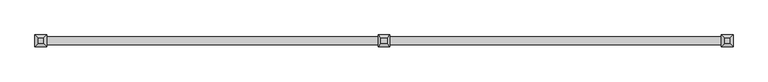
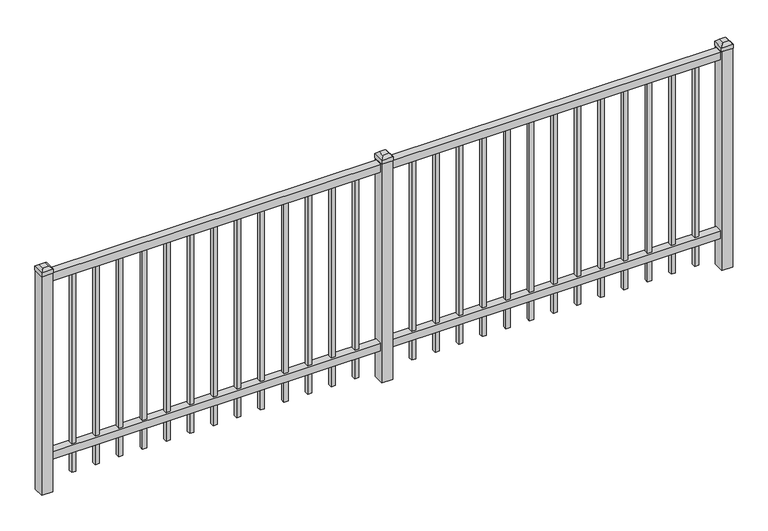
"""IFC4 building model written with IfcOpenShell, lengths in millimetres: railing geometry."""

from ifc_helpers import new_model, si_unit, frame, origin, origin_with_axes, place, context, project, spatial, polyline, outline, extrude, faceted_brep, source, transform, mapped, element, save


def railing_805f4b10(model_context):
    return source(origin(), model_context, "Body", "SolidModel", [
        extrude(outline(polyline([(-85729.318087, 3004.8804826), (-85729.318087, 3039.8054826), (-82579.718087, 3039.8054826), (-82579.718087, 3004.8804826), (-85729.318087, 3004.8804826)])), frame((0.0, 0.0, 1028.7), z_axis=(0.0, 0.0, 1.0), x_axis=(1.0, 0.0, 0.0)), (0.0, 0.0, 1.0), 38.1),
        extrude(outline(polyline([(-85729.318087, 3004.8804826), (-85729.318087, 3039.8054826), (-82579.718087, 3039.8054826), (-82579.718087, 3004.8804826), (-85729.318087, 3004.8804826)])), frame((0.0, 0.0, 152.4), z_axis=(0.0, 0.0, 1.0), x_axis=(1.0, 0.0, 0.0)), (0.0, 0.0, 1.0), 38.1),
        extrude(outline(polyline([(-82811.2285036, 3031.8679826), (-82811.2285036, 3012.8179826), (-82830.2785036, 3012.8179826), (-82830.2785036, 3031.8679826), (-82811.2285036, 3031.8679826)])), frame((0.0, 0.0, 50.8), z_axis=(0.0, 0.0, 1.0), x_axis=(1.0, 0.0, 0.0)), (0.0, 0.0, 1.0), 977.9),
        extrude(outline(polyline([(-82920.5014203, 3031.8679826), (-82920.5014203, 3012.8179826), (-82939.5514203, 3012.8179826), (-82939.5514203, 3031.8679826), (-82920.5014203, 3031.8679826)])), frame((0.0, 0.0, 50.8), z_axis=(0.0, 0.0, 1.0), x_axis=(1.0, 0.0, 0.0)), (0.0, 0.0, 1.0), 977.9),
        extrude(outline(polyline([(-83029.774337, 3031.8679826), (-83029.774337, 3012.8179826), (-83048.824337, 3012.8179826), (-83048.824337, 3031.8679826), (-83029.774337, 3031.8679826)])), frame((0.0, 0.0, 50.8), z_axis=(0.0, 0.0, 1.0), x_axis=(1.0, 0.0, 0.0)), (0.0, 0.0, 1.0), 977.9),
        extrude(outline(polyline([(-83139.0472536, 3031.8679826), (-83139.0472536, 3012.8179826), (-83158.0972536, 3012.8179826), (-83158.0972536, 3031.8679826), (-83139.0472536, 3031.8679826)])), frame((0.0, 0.0, 50.8), z_axis=(0.0, 0.0, 1.0), x_axis=(1.0, 0.0, 0.0)), (0.0, 0.0, 1.0), 977.9),
        extrude(outline(polyline([(-83248.3201703, 3031.8679826), (-83248.3201703, 3012.8179826), (-83267.3701703, 3012.8179826), (-83267.3701703, 3031.8679826), (-83248.3201703, 3031.8679826)])), frame((0.0, 0.0, 50.8), z_axis=(0.0, 0.0, 1.0), x_axis=(1.0, 0.0, 0.0)), (0.0, 0.0, 1.0), 977.9),
        extrude(outline(polyline([(-83357.593087, 3031.8679826), (-83357.593087, 3012.8179826), (-83376.643087, 3012.8179826), (-83376.643087, 3031.8679826), (-83357.593087, 3031.8679826)])), frame((0.0, 0.0, 50.8), z_axis=(0.0, 0.0, 1.0), x_axis=(1.0, 0.0, 0.0)), (0.0, 0.0, 1.0), 977.9),
        extrude(outline(polyline([(-83466.8660036, 3031.8679826), (-83466.8660036, 3012.8179826), (-83485.9160036, 3012.8179826), (-83485.9160036, 3031.8679826), (-83466.8660036, 3031.8679826)])), frame((0.0, 0.0, 50.8), z_axis=(0.0, 0.0, 1.0), x_axis=(1.0, 0.0, 0.0)), (0.0, 0.0, 1.0), 977.9),
        extrude(outline(polyline([(-83576.1389203, 3031.8679826), (-83576.1389203, 3012.8179826), (-83595.1889203, 3012.8179826), (-83595.1889203, 3031.8679826), (-83576.1389203, 3031.8679826)])), frame((0.0, 0.0, 50.8), z_axis=(0.0, 0.0, 1.0), x_axis=(1.0, 0.0, 0.0)), (0.0, 0.0, 1.0), 977.9),
        extrude(outline(polyline([(-83685.411837, 3031.8679826), (-83685.411837, 3012.8179826), (-83704.461837, 3012.8179826), (-83704.461837, 3031.8679826), (-83685.411837, 3031.8679826)])), frame((0.0, 0.0, 50.8), z_axis=(0.0, 0.0, 1.0), x_axis=(1.0, 0.0, 0.0)), (0.0, 0.0, 1.0), 977.9),
        extrude(outline(polyline([(-83794.6847536, 3031.8679826), (-83794.6847536, 3012.8179826), (-83813.7347536, 3012.8179826), (-83813.7347536, 3031.8679826), (-83794.6847536, 3031.8679826)])), frame((0.0, 0.0, 50.8), z_axis=(0.0, 0.0, 1.0), x_axis=(1.0, 0.0, 0.0)), (0.0, 0.0, 1.0), 977.9),
        extrude(outline(polyline([(-83903.9576703, 3031.8679826), (-83903.9576703, 3012.8179826), (-83923.0076703, 3012.8179826), (-83923.0076703, 3031.8679826), (-83903.9576703, 3031.8679826)])), frame((0.0, 0.0, 50.8), z_axis=(0.0, 0.0, 1.0), x_axis=(1.0, 0.0, 0.0)), (0.0, 0.0, 1.0), 977.9),
        extrude(outline(polyline([(-82701.955587, 3031.8679826), (-82701.955587, 3012.8179826), (-82721.005587, 3012.8179826), (-82721.005587, 3031.8679826), (-82701.955587, 3031.8679826)])), frame((0.0, 0.0, 50.8), z_axis=(0.0, 0.0, 1.0), x_axis=(1.0, 0.0, 0.0)), (0.0, 0.0, 1.0), 977.9),
        extrude(outline(polyline([(-84013.230587, 3031.8679826), (-84013.230587, 3012.8179826), (-84032.280587, 3012.8179826), (-84032.280587, 3031.8679826), (-84013.230587, 3031.8679826)])), frame((0.0, 0.0, 50.8), z_axis=(0.0, 0.0, 1.0), x_axis=(1.0, 0.0, 0.0)), (0.0, 0.0, 1.0), 977.9),
        faceted_brep([(-84181.505587, 3049.3304826, 1092.2), (-84181.505587, 3049.3304826, 1073.15), (-84181.505587, 2995.3554826, 1073.15), (-84181.505587, 2995.3554826, 1092.2), (-84168.805587, 3036.6304826, 1104.9), (-84168.805587, 3008.0554826, 1104.9), (-84127.530587, 2995.3554826, 1073.15), (-84127.530587, 2995.3554826, 1092.2), (-84140.230587, 3008.0554826, 1104.9), (-84127.530587, 3049.3304826, 1073.15), (-84127.530587, 3049.3304826, 1092.2), (-84140.230587, 3036.6304826, 1104.9)], [[[0, 1, 2, 3]], [[4, 0, 3, 5]], [[3, 2, 6, 7]], [[5, 3, 7, 8]], [[7, 6, 9, 10]], [[8, 7, 10, 11]], [[10, 9, 1, 0]], [[11, 10, 0, 4]], [[5, 8, 11, 4]], [[1, 9, 6, 2]]]),
        extrude(outline(polyline([(-84129.118087, 3047.7429826), (-84129.118087, 2996.9429826), (-84179.918087, 2996.9429826), (-84179.918087, 3047.7429826), (-84129.118087, 3047.7429826)])), origin_with_axes(), (0.0, 0.0, 1.0), 1073.15),
        extrude(outline(polyline([(-84386.0285036, 3031.8679826), (-84386.0285036, 3012.8179826), (-84405.0785036, 3012.8179826), (-84405.0785036, 3031.8679826), (-84386.0285036, 3031.8679826)])), frame((0.0, 0.0, 50.8), z_axis=(0.0, 0.0, 1.0), x_axis=(1.0, 0.0, 0.0)), (0.0, 0.0, 1.0), 977.9),
        extrude(outline(polyline([(-84495.3014203, 3031.8679826), (-84495.3014203, 3012.8179826), (-84514.3514203, 3012.8179826), (-84514.3514203, 3031.8679826), (-84495.3014203, 3031.8679826)])), frame((0.0, 0.0, 50.8), z_axis=(0.0, 0.0, 1.0), x_axis=(1.0, 0.0, 0.0)), (0.0, 0.0, 1.0), 977.9),
        extrude(outline(polyline([(-84604.574337, 3031.8679826), (-84604.574337, 3012.8179826), (-84623.624337, 3012.8179826), (-84623.624337, 3031.8679826), (-84604.574337, 3031.8679826)])), frame((0.0, 0.0, 50.8), z_axis=(0.0, 0.0, 1.0), x_axis=(1.0, 0.0, 0.0)), (0.0, 0.0, 1.0), 977.9),
        extrude(outline(polyline([(-84713.8472536, 3031.8679826), (-84713.8472536, 3012.8179826), (-84732.8972536, 3012.8179826), (-84732.8972536, 3031.8679826), (-84713.8472536, 3031.8679826)])), frame((0.0, 0.0, 50.8), z_axis=(0.0, 0.0, 1.0), x_axis=(1.0, 0.0, 0.0)), (0.0, 0.0, 1.0), 977.9),
        extrude(outline(polyline([(-84823.1201703, 3031.8679826), (-84823.1201703, 3012.8179826), (-84842.1701703, 3012.8179826), (-84842.1701703, 3031.8679826), (-84823.1201703, 3031.8679826)])), frame((0.0, 0.0, 50.8), z_axis=(0.0, 0.0, 1.0), x_axis=(1.0, 0.0, 0.0)), (0.0, 0.0, 1.0), 977.9),
        extrude(outline(polyline([(-84932.393087, 3031.8679826), (-84932.393087, 3012.8179826), (-84951.443087, 3012.8179826), (-84951.443087, 3031.8679826), (-84932.393087, 3031.8679826)])), frame((0.0, 0.0, 50.8), z_axis=(0.0, 0.0, 1.0), x_axis=(1.0, 0.0, 0.0)), (0.0, 0.0, 1.0), 977.9),
        extrude(outline(polyline([(-85041.6660036, 3031.8679826), (-85041.6660036, 3012.8179826), (-85060.7160036, 3012.8179826), (-85060.7160036, 3031.8679826), (-85041.6660036, 3031.8679826)])), frame((0.0, 0.0, 50.8), z_axis=(0.0, 0.0, 1.0), x_axis=(1.0, 0.0, 0.0)), (0.0, 0.0, 1.0), 977.9),
        extrude(outline(polyline([(-85150.9389203, 3031.8679826), (-85150.9389203, 3012.8179826), (-85169.9889203, 3012.8179826), (-85169.9889203, 3031.8679826), (-85150.9389203, 3031.8679826)])), frame((0.0, 0.0, 50.8), z_axis=(0.0, 0.0, 1.0), x_axis=(1.0, 0.0, 0.0)), (0.0, 0.0, 1.0), 977.9),
        extrude(outline(polyline([(-85260.211837, 3031.8679826), (-85260.211837, 3012.8179826), (-85279.261837, 3012.8179826), (-85279.261837, 3031.8679826), (-85260.211837, 3031.8679826)])), frame((0.0, 0.0, 50.8), z_axis=(0.0, 0.0, 1.0), x_axis=(1.0, 0.0, 0.0)), (0.0, 0.0, 1.0), 977.9),
        extrude(outline(polyline([(-85369.4847536, 3031.8679826), (-85369.4847536, 3012.8179826), (-85388.5347536, 3012.8179826), (-85388.5347536, 3031.8679826), (-85369.4847536, 3031.8679826)])), frame((0.0, 0.0, 50.8), z_axis=(0.0, 0.0, 1.0), x_axis=(1.0, 0.0, 0.0)), (0.0, 0.0, 1.0), 977.9),
        extrude(outline(polyline([(-85478.7576703, 3031.8679826), (-85478.7576703, 3012.8179826), (-85497.8076703, 3012.8179826), (-85497.8076703, 3031.8679826), (-85478.7576703, 3031.8679826)])), frame((0.0, 0.0, 50.8), z_axis=(0.0, 0.0, 1.0), x_axis=(1.0, 0.0, 0.0)), (0.0, 0.0, 1.0), 977.9),
        extrude(outline(polyline([(-84276.755587, 3031.8679826), (-84276.755587, 3012.8179826), (-84295.805587, 3012.8179826), (-84295.805587, 3031.8679826), (-84276.755587, 3031.8679826)])), frame((0.0, 0.0, 50.8), z_axis=(0.0, 0.0, 1.0), x_axis=(1.0, 0.0, 0.0)), (0.0, 0.0, 1.0), 977.9),
        extrude(outline(polyline([(-85588.030587, 3031.8679826), (-85588.030587, 3012.8179826), (-85607.080587, 3012.8179826), (-85607.080587, 3031.8679826), (-85588.030587, 3031.8679826)])), frame((0.0, 0.0, 50.8), z_axis=(0.0, 0.0, 1.0), x_axis=(1.0, 0.0, 0.0)), (0.0, 0.0, 1.0), 977.9),
        faceted_brep([(-82606.705587, 3049.3304826, 1092.2), (-82606.705587, 3049.3304826, 1073.15), (-82606.705587, 2995.3554826, 1073.15), (-82606.705587, 2995.3554826, 1092.2), (-82594.005587, 3036.6304826, 1104.9), (-82594.005587, 3008.0554826, 1104.9), (-82552.730587, 2995.3554826, 1073.15), (-82552.730587, 2995.3554826, 1092.2), (-82565.430587, 3008.0554826, 1104.9), (-82552.730587, 3049.3304826, 1073.15), (-82552.730587, 3049.3304826, 1092.2), (-82565.430587, 3036.6304826, 1104.9)], [[[0, 1, 2, 3]], [[4, 0, 3, 5]], [[3, 2, 6, 7]], [[5, 3, 7, 8]], [[7, 6, 9, 10]], [[8, 7, 10, 11]], [[10, 9, 1, 0]], [[11, 10, 0, 4]], [[5, 8, 11, 4]], [[1, 9, 6, 2]]]),
        extrude(outline(polyline([(-82554.318087, 3047.7429826), (-82554.318087, 2996.9429826), (-82605.118087, 2996.9429826), (-82605.118087, 3047.7429826), (-82554.318087, 3047.7429826)])), origin_with_axes(), (0.0, 0.0, 1.0), 1073.15),
        faceted_brep([(-85756.305587, 3049.3304826, 1092.2), (-85756.305587, 3049.3304826, 1073.15), (-85756.305587, 2995.3554826, 1073.15), (-85756.305587, 2995.3554826, 1092.2), (-85743.605587, 3036.6304826, 1104.9), (-85743.605587, 3008.0554826, 1104.9), (-85702.330587, 2995.3554826, 1073.15), (-85702.330587, 2995.3554826, 1092.2), (-85715.030587, 3008.0554826, 1104.9), (-85702.330587, 3049.3304826, 1073.15), (-85702.330587, 3049.3304826, 1092.2), (-85715.030587, 3036.6304826, 1104.9)], [[[0, 1, 2, 3]], [[4, 0, 3, 5]], [[3, 2, 6, 7]], [[5, 3, 7, 8]], [[7, 6, 9, 10]], [[8, 7, 10, 11]], [[10, 9, 1, 0]], [[11, 10, 0, 4]], [[5, 8, 11, 4]], [[1, 9, 6, 2]]]),
        extrude(outline(polyline([(-85703.918087, 3047.7429826), (-85703.918087, 2996.9429826), (-85754.718087, 2996.9429826), (-85754.718087, 3047.7429826), (-85703.918087, 3047.7429826)])), origin_with_axes(), (0.0, 0.0, 1.0), 1073.15),
    ])


if __name__ == "__main__":
    model = new_model("IFC4")
    model_context = context("Model", 3, world=origin())
    ifc_project = project(units=[si_unit("LENGTHUNIT", "METRE", prefix="MILLI")], contexts=[model_context])
    site = spatial("IfcSite", under=ifc_project)
    building = spatial("IfcBuilding", under=site)
    placement = place(None, origin())
    railing_shape = railing_805f4b10(model_context)
    element("IfcRailing", 1, at=placement, inside=building, context=model_context, shape_type="MappedRepresentation", body=[
        mapped(railing_shape, transform((0.0, 0.0, 0.0), x_axis=(1.0, 0.0, 0.0), y_axis=(0.0, 1.0, 0.0), z_axis=(0.0, 0.0, 1.0))),
    ])
    save(model, "model.ifc")
